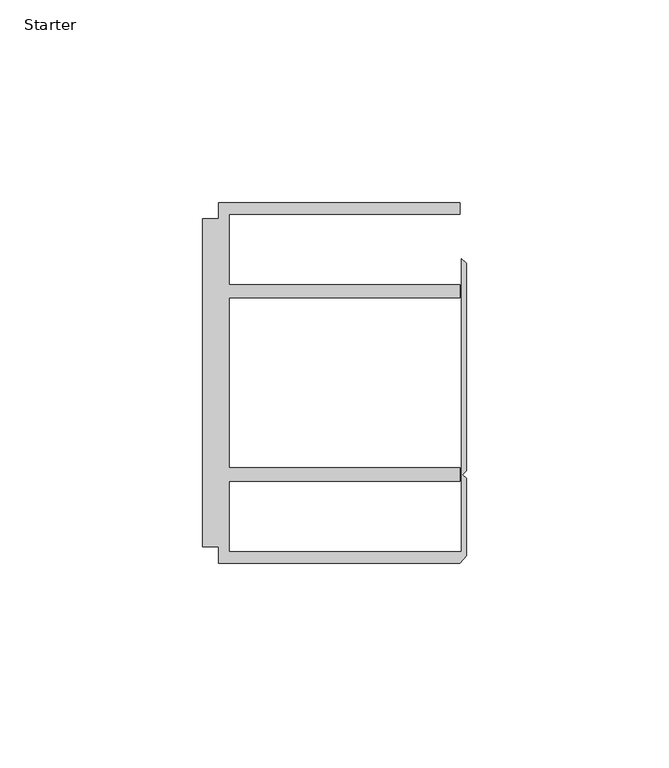
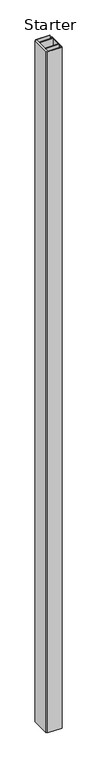
"""IFC4 building model written with IfcOpenShell, lengths in millimetres: furniture geometry, Starter."""

from ifc_helpers import new_model, si_unit, origin, origin_with_axes, place, context, project, spatial, polyline, outline, extrude, source, transform, mapped, element, save


def starter_29f71b5d(model_context):
    return source(origin(), model_context, "Body", "SweptSolid", [
        extrude(outline(polyline([(33.9771533, 59.951805), (93.4771531, 59.951805), (93.4771531, 57.1518064), (36.5771534, 57.1518064), (36.5771534, 39.7518058), (93.4771531, 39.7518058), (93.4771531, 36.4518057), (36.5771534, 36.4518057), (36.5771534, -5.4481956), (93.4771531, -5.4481956), (93.4771531, -8.7481957), (36.5771534, -8.7481957), (36.5771534, -26.1481963), (93.9195633, -26.1481963), (93.9195633, 46.1177636), (95.0646531, 44.9726737), (95.0646531, -6.2135897), (94.1563205, -7.1219223), (95.0646531, -8.0302549), (95.0646531, -27.0760904), (93.4771531, -28.948195), (33.9771533, -28.948195), (33.9771533, -24.9481962), (29.9771531, -24.9481962), (29.9771531, 55.9518063), (33.9771533, 55.9518063), (33.9771533, 59.951805)])), origin_with_axes(), (0.0, 0.0, 1.0), 3048.0),
    ])


if __name__ == "__main__":
    model = new_model("IFC4")
    model_context = context("Model", 3, world=origin())
    ifc_project = project(units=[si_unit("LENGTHUNIT", "METRE", prefix="MILLI")], contexts=[model_context])
    site = spatial("IfcSite", under=ifc_project)
    building = spatial("IfcBuilding", under=site)
    placement = place(None, origin())
    starter_shape = starter_29f71b5d(model_context)
    element("IfcFurniture", 1, ObjectType="Starter", at=placement, inside=building, context=model_context, shape_type="MappedRepresentation", body=[
        mapped(starter_shape, transform((0.0, 0.0, 0.0), x_axis=(1.0, 0.0, 0.0), y_axis=(0.0, 1.0, 0.0), z_axis=(0.0, 0.0, 1.0))),
    ])
    save(model, "model.ifc")
